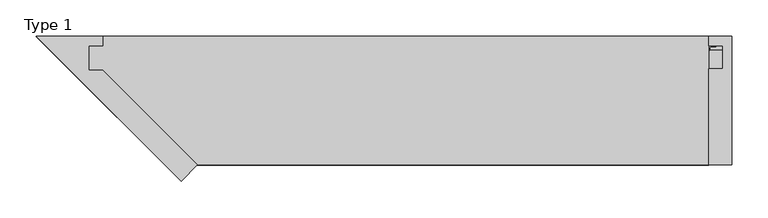
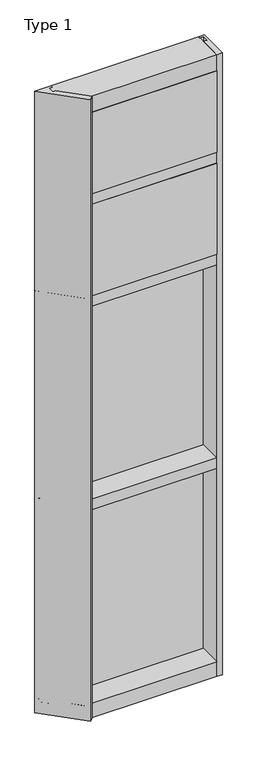
"""IFC4 building model written with IfcOpenShell, lengths in millimetres: plate geometry, Type 1."""

from ifc_helpers import new_model, si_unit, point, frame, frame_2d, origin, place, context, project, spatial, polyline, circle_curve, trimmed, segment, composite_curve, outline, extrude, faceted_brep, source, transform, mapped, element, save


def type_1_bd8d4e5f(model_context):
    return source(origin(), model_context, "Body", "SolidModel", [
        extrude(outline(polyline([(34.0360843, 3579.4782689), (34.0360843, 3568.7272341), (27.686, 3566.9739421), (27.686, 3579.4782689), (34.0360843, 3579.4782689)])), frame((-437.9238151, 0.0, 0.0), z_axis=(1.0, 0.0, 0.0), x_axis=(0.0, 1.0, 0.0)), (0.0, 0.0, 1.0), 875.8476302),
        extrude(outline(composite_curve([segment(polyline([(-419.3612613, 27.686), (-420.3277672, 27.686), (-420.3552746, 31.7563748)]), True, "CONTINUOUS"), segment(trimmed(circle_curve(frame_2d((-420.9902601, 31.7520836)), 0.635), [point((-420.3552746, 31.7563748))], [point((-420.9551793, 32.3861138))], True, "CARTESIAN"), True, "CONTINUOUS"), segment(polyline([(-420.9551793, 32.3861138), (-427.7105402, 32.7598869)]), True, "CONTINUOUS"), segment(trimmed(circle_curve(frame_2d((-427.5279869, 33.7593519)), 1.016), [point((-427.7105402, 32.7598869))], [point((-428.5055655, 34.0361122))], False, "CARTESIAN"), True, "CONTINUOUS"), segment(polyline([(-428.5055655, 34.0361122), (-418.9503158, 34.0361122), (-419.3612613, 27.686)]), True, "CONTINUOUS")], self_intersect=False)), frame((0.0, 0.0, 3068.9728643), z_axis=(0.0, 0.0, 1.0), x_axis=(1.0, 0.0, 0.0)), (0.0, 0.0, 1.0), 518.7771357),
        extrude(outline(composite_curve([segment(polyline([(419.3612613, 27.686), (418.9503158, 34.0361122), (428.5055655, 34.0361122)]), True, "CONTINUOUS"), segment(trimmed(circle_curve(frame_2d((427.5279869, 33.7593519)), 1.016), [point((428.5055655, 34.0361122))], [point((427.7105402, 32.7598869))], False, "CARTESIAN"), True, "CONTINUOUS"), segment(polyline([(427.7105402, 32.7598869), (420.9551793, 32.3861138)]), True, "CONTINUOUS"), segment(trimmed(circle_curve(frame_2d((420.9902601, 31.7520836)), 0.635), [point((420.9551793, 32.3861138))], [point((420.3552746, 31.7563748))], True, "CARTESIAN"), True, "CONTINUOUS"), segment(polyline([(420.3552746, 31.7563748), (420.3277672, 27.686), (419.3612613, 27.686)]), True, "CONTINUOUS")], self_intersect=False)), frame((0.0, 0.0, 3068.9728643), z_axis=(0.0, 0.0, 1.0), x_axis=(1.0, 0.0, 0.0)), (0.0, 0.0, 1.0), 518.7771357),
        extrude(outline(polyline([(34.0361122, 3068.9728643), (27.686, 3068.9728643), (27.686, 3081.4771952), (34.0361122, 3079.7238955), (34.0361122, 3068.9728643)])), frame((-428.5055655, 0.0, 0.0), z_axis=(1.0, 0.0, 0.0), x_axis=(0.0, 1.0, 0.0)), (0.0, 0.0, 1.0), 857.0111309),
        extrude(outline(polyline([(420.4613151, -48.6030703), (418.8738151, -131.0159103), (-287.9050651, -131.0159103), (-370.4550651, -48.6030703), (420.4613151, -48.6030703)])), frame((0.0, 0.0, 3079.75), z_axis=(0.0, 0.0, 1.0), x_axis=(1.0, 0.0, 0.0)), (0.0, 0.0, 1.0), 488.95),
        extrude(outline(polyline([(-437.9238151, 27.686), (437.9238151, 27.686), (437.9238151, 2.286), (-437.9238151, 2.286), (-437.9238151, 27.686)])), frame((0.0, 0.0, 3060.7), z_axis=(0.0, 0.0, 1.0), x_axis=(1.0, 0.0, 0.0)), (0.0, 0.0, 1.0), 527.05),
        extrude(outline(composite_curve([segment(polyline([(34.0360974, 3027.0282838), (34.0360974, 3016.1659828)]), True, "CONTINUOUS"), segment(trimmed(circle_curve(frame_2d((38.5198748, 2991.1648681)), 25.4), [point((34.0360974, 3016.1659828))], [point((27.686, 3014.1384868))], True, "CARTESIAN"), True, "CONTINUOUS"), segment(polyline([(27.686, 3014.1384868), (27.686, 3027.0282838), (34.0360974, 3027.0282838)]), True, "CONTINUOUS")], self_intersect=False)), frame((-437.9238151, 0.0, 0.0), z_axis=(1.0, 0.0, 0.0), x_axis=(0.0, 1.0, 0.0)), (0.0, 0.0, 1.0), 875.8476302),
        extrude(outline(composite_curve([segment(polyline([(-418.9503158, 34.0361122), (-419.3612613, 27.686), (-420.3277672, 27.686), (-420.3552746, 31.7563748)]), True, "CONTINUOUS"), segment(trimmed(circle_curve(frame_2d((-420.9902601, 31.7520836)), 0.635), [point((-420.3552746, 31.7563748))], [point((-420.9551793, 32.3861138))], True, "CARTESIAN"), True, "CONTINUOUS"), segment(polyline([(-420.9551793, 32.3861138), (-427.7105402, 32.7598869)]), True, "CONTINUOUS"), segment(trimmed(circle_curve(frame_2d((-427.5279869, 33.7593519)), 1.016), [point((-427.7105402, 32.7598869))], [point((-428.5055655, 34.0361122))], False, "CARTESIAN"), True, "CONTINUOUS"), segment(polyline([(-428.5055655, 34.0361122), (-418.9503158, 34.0361122)]), True, "CONTINUOUS")], self_intersect=False)), frame((0.0, 0.0, 2459.3728643), z_axis=(0.0, 0.0, 1.0), x_axis=(1.0, 0.0, 0.0)), (0.0, 0.0, 1.0), 575.9271357),
        extrude(outline(composite_curve([segment(polyline([(419.3612613, 27.686), (418.9503158, 34.0361122), (428.5055655, 34.0361122)]), True, "CONTINUOUS"), segment(trimmed(circle_curve(frame_2d((427.5279869, 33.7593519)), 1.016), [point((428.5055655, 34.0361122))], [point((427.7105402, 32.7598869))], False, "CARTESIAN"), True, "CONTINUOUS"), segment(polyline([(427.7105402, 32.7598869), (420.9551793, 32.3861138)]), True, "CONTINUOUS"), segment(trimmed(circle_curve(frame_2d((420.9902601, 31.7520836)), 0.635), [point((420.9551793, 32.3861138))], [point((420.3552746, 31.7563748))], True, "CARTESIAN"), True, "CONTINUOUS"), segment(polyline([(420.3552746, 31.7563748), (420.3277672, 27.686), (419.3612613, 27.686)]), True, "CONTINUOUS")], self_intersect=False)), frame((0.0, 0.0, 2459.3728643), z_axis=(0.0, 0.0, 1.0), x_axis=(1.0, 0.0, 0.0)), (0.0, 0.0, 1.0), 575.9271357),
        extrude(outline(polyline([(34.0361122, 2459.3728643), (27.686, 2459.3728643), (27.686, 2471.8771952), (34.0361122, 2470.1238955), (34.0361122, 2459.3728643)])), frame((-428.5055655, 0.0, 0.0), z_axis=(1.0, 0.0, 0.0), x_axis=(0.0, 1.0, 0.0)), (0.0, 0.0, 1.0), 857.0111309),
        extrude(outline(polyline([(418.8738151, -48.514), (418.8738151, -131.0159103), (-287.9050651, -131.0159103), (-370.3558463, -48.514), (418.8738151, -48.514)])), frame((0.0, 0.0, 2470.15), z_axis=(0.0, 0.0, 1.0), x_axis=(1.0, 0.0, 0.0)), (0.0, 0.0, 1.0), 546.1),
        extrude(outline(polyline([(437.9238151, 27.686), (437.9238151, 2.286), (-437.9238151, 2.286), (-437.9238151, 27.686), (437.9238151, 27.686)])), frame((0.0, 0.0, 2451.1), z_axis=(0.0, 0.0, 1.0), x_axis=(1.0, 0.0, 0.0)), (0.0, 0.0, 1.0), 584.2),
        extrude(outline(polyline([(450.6238151, -130.5814), (418.8738151, -130.5814), (418.8738151, 2.286), (437.9238151, 2.286), (437.9238151, 34.036), (418.8727259, 34.036), (418.8727259, 47.2186), (450.6238151, 47.2186), (450.6238151, -130.5814)])), frame((0.0, 0.0, -57.15), z_axis=(0.0, 0.0, 1.0), x_axis=(1.0, 0.0, 0.0)), (0.0, 0.0, 1.0), 3721.1),
        extrude(outline(polyline([(27.686, 1252.6752684), (34.036, 1250.9219997), (34.036, 1240.1709644), (27.686, 1240.1709644), (27.686, 1252.6752684)])), frame((-428.5066864, 0.0, 0.0), z_axis=(1.0, 0.0, 0.0), x_axis=(0.0, 1.0, 0.0)), (0.0, 0.0, 1.0), 857.0133729),
        extrude(outline(polyline([(27.6860992, 2417.4309356), (34.0360992, 2417.4309356), (34.0360992, 2406.6798775), (27.6860992, 2404.9266088), (27.6860992, 2417.4309356)])), frame((-428.5066864, 0.0, 0.0), z_axis=(1.0, 0.0, 0.0), x_axis=(0.0, 1.0, 0.0)), (0.0, 0.0, 1.0), 857.0133729),
        extrude(outline(composite_curve([segment(trimmed(circle_curve(frame_2d((-420.9913493, 31.7520836)), 0.635), [point((-420.3563638, 31.7563748))], [point((-420.9562685, 32.3861138))], True, "CARTESIAN"), True, "CONTINUOUS"), segment(polyline([(-420.9562685, 32.3861138), (-427.7116294, 32.7598869)]), True, "CONTINUOUS"), segment(trimmed(circle_curve(frame_2d((-427.5290761, 33.7593519)), 1.016), [point((-427.7116294, 32.7598869))], [point((-428.5066864, 34.036))], False, "CARTESIAN"), True, "CONTINUOUS"), segment(polyline([(-428.5066864, 34.036), (-418.9514123, 34.036), (-419.3623505, 27.686), (-420.3288564, 27.686), (-420.3563638, 31.7563748)]), True, "CONTINUOUS")], self_intersect=False)), frame((0.0, 0.0, 1240.1709644), z_axis=(0.0, 0.0, 1.0), x_axis=(1.0, 0.0, 0.0)), (0.0, 0.0, 1.0), 1177.2580861),
        extrude(outline(composite_curve([segment(polyline([(419.3623505, 27.686), (418.9514123, 34.036), (428.5066864, 34.036)]), True, "CONTINUOUS"), segment(trimmed(circle_curve(frame_2d((427.5290761, 33.7593519)), 1.016), [point((428.5066864, 34.036))], [point((427.7116294, 32.7598869))], False, "CARTESIAN"), True, "CONTINUOUS"), segment(polyline([(427.7116294, 32.7598869), (420.9562685, 32.3861138)]), True, "CONTINUOUS"), segment(trimmed(circle_curve(frame_2d((420.9913493, 31.7520836)), 0.635), [point((420.9562685, 32.3861138))], [point((420.3563638, 31.7563748))], True, "CARTESIAN"), True, "CONTINUOUS"), segment(polyline([(420.3563638, 31.7563748), (420.3288564, 27.686), (419.3623505, 27.686)]), True, "CONTINUOUS")], self_intersect=False)), frame((0.0, 0.0, 1240.1709644), z_axis=(0.0, 0.0, 1.0), x_axis=(1.0, 0.0, 0.0)), (0.0, 0.0, 1.0), 1177.2580861),
        extrude(outline(polyline([(437.9249043, 27.686), (437.9249043, 2.286), (-437.9249043, 2.286), (-437.9249043, 27.686), (437.9249043, 27.686)])), frame((0.0, 0.0, 1231.8962001), z_axis=(0.0, 0.0, 1.0), x_axis=(1.0, 0.0, 0.0)), (0.0, 0.0, 1.0), 1193.8037999),
        extrude(outline(polyline([(27.686, 33.4752684), (34.036, 31.7219997), (34.036, 20.9709644), (27.686, 20.9709644), (27.686, 33.4752684)])), frame((-428.5066864, 0.0, 0.0), z_axis=(1.0, 0.0, 0.0), x_axis=(0.0, 1.0, 0.0)), (0.0, 0.0, 1.0), 857.0133729),
        extrude(outline(polyline([(27.6860992, 1198.2309356), (34.0360992, 1198.2309356), (34.0360992, 1187.4798775), (27.6860992, 1185.7266088), (27.6860992, 1198.2309356)])), frame((-428.5066864, 0.0, 0.0), z_axis=(1.0, 0.0, 0.0), x_axis=(0.0, 1.0, 0.0)), (0.0, 0.0, 1.0), 857.0133729),
        extrude(outline(composite_curve([segment(trimmed(circle_curve(frame_2d((-420.9913493, 31.7520836)), 0.635), [point((-420.3563638, 31.7563748))], [point((-420.9562685, 32.3861138))], True, "CARTESIAN"), True, "CONTINUOUS"), segment(polyline([(-420.9562685, 32.3861138), (-427.7116294, 32.7598869)]), True, "CONTINUOUS"), segment(trimmed(circle_curve(frame_2d((-427.5290761, 33.7593519)), 1.016), [point((-427.7116294, 32.7598869))], [point((-428.5066864, 34.036))], False, "CARTESIAN"), True, "CONTINUOUS"), segment(polyline([(-428.5066864, 34.036), (-418.9514123, 34.036), (-419.3623505, 27.686), (-420.3288564, 27.686), (-420.3563638, 31.7563748)]), True, "CONTINUOUS")], self_intersect=False)), frame((0.0, 0.0, 20.9709644), z_axis=(0.0, 0.0, 1.0), x_axis=(1.0, 0.0, 0.0)), (0.0, 0.0, 1.0), 1177.2580861),
        extrude(outline(composite_curve([segment(polyline([(419.3623505, 27.686), (418.9514123, 34.036), (428.5066864, 34.036)]), True, "CONTINUOUS"), segment(trimmed(circle_curve(frame_2d((427.5290761, 33.7593519)), 1.016), [point((428.5066864, 34.036))], [point((427.7116294, 32.7598869))], False, "CARTESIAN"), True, "CONTINUOUS"), segment(polyline([(427.7116294, 32.7598869), (420.9562685, 32.3861138)]), True, "CONTINUOUS"), segment(trimmed(circle_curve(frame_2d((420.9913493, 31.7520836)), 0.635), [point((420.9562685, 32.3861138))], [point((420.3563638, 31.7563748))], True, "CARTESIAN"), True, "CONTINUOUS"), segment(polyline([(420.3563638, 31.7563748), (420.3288564, 27.686), (419.3623505, 27.686)]), True, "CONTINUOUS")], self_intersect=False)), frame((0.0, 0.0, 20.9709644), z_axis=(0.0, 0.0, 1.0), x_axis=(1.0, 0.0, 0.0)), (0.0, 0.0, 1.0), 1177.2580861),
        extrude(outline(polyline([(437.9249043, 27.686), (437.9249043, 2.286), (-437.9249043, 2.286), (-437.9249043, 27.686), (437.9249043, 27.686)])), frame((0.0, 0.0, 12.6962001), z_axis=(0.0, 0.0, 1.0), x_axis=(1.0, 0.0, 0.0)), (0.0, 0.0, 1.0), 1193.8037999),
        extrude(outline(polyline([(-310.6474247, -152.9353204), (-510.8114505, 47.2287054), (-418.8738151, 47.2287054), (-418.8738151, 34.036), (-437.9249043, 34.036), (-437.9249043, 0.0), (-418.8749043, 0.0), (-288.2935043, -130.5814), (-310.6474247, -152.9353204)])), frame((0.0, 0.0, -57.15), z_axis=(0.0, 0.0, 1.0), x_axis=(1.0, 0.0, 0.0)), (0.0, 0.0, 1.0), 3721.1),
        faceted_brep([(418.8738151, 47.2186297, 3663.95), (418.8738151, -130.175, 3663.95), (418.8738151, -130.175, 3568.7), (418.8738151, 0.0, 3568.7), (418.8738151, 0.0, 3587.75), (418.8738151, 34.13125, 3587.75), (418.8738151, 34.13125, 3568.7), (418.8738151, 47.2186297, 3568.7), (-510.8013748, 47.2186297, 3568.7), (-510.8013748, 47.2186297, 3663.95), (-497.7139951, 34.13125, 3568.7), (-497.7139951, 34.13125, 3587.75), (-463.5827451, 0.0, 3587.75), (-463.5827451, 0.0, 3568.7), (-333.4077451, -130.175, 3568.7), (-333.4077451, -130.175, 3663.95)], [[[0, 1, 2, 3, 4, 5, 6, 7]], [[0, 7, 8, 9]], [[7, 6, 10, 8]], [[6, 5, 11, 10]], [[5, 4, 12, 11]], [[4, 3, 13, 12]], [[3, 2, 14, 13]], [[2, 1, 15, 14]], [[1, 0, 9, 15]], [[9, 8, 10, 11, 12, 13, 14, 15]]]),
        faceted_brep([(418.8738151, 0.0, 3079.75), (418.8738151, -130.175, 3079.75), (418.8738151, -130.175, 3016.25), (418.8738151, 0.0, 3016.25), (418.8738151, 0.0, 3035.3), (418.8738151, 34.13125, 3035.3), (418.8738151, 34.13125, 3016.2462001), (418.8738151, 47.2186445, 3016.2462001), (418.8738151, 47.2186445, 3079.7462001), (418.8738151, 34.13125, 3079.7462001), (418.8738151, 34.13125, 3060.7), (418.8738151, 0.0, 3060.7), (-463.5827451, 0.0, 3060.7), (-463.5827451, 0.0, 3079.75), (-497.7139951, 34.13125, 3060.7), (-497.7139951, 34.13125, 3079.7462001), (-510.8013896, 47.2186445, 3079.7462001), (-510.8013896, 47.2186445, 3016.2462001), (-497.7139951, 34.13125, 3016.2462001), (-497.7139951, 34.13125, 3035.3), (-463.5827451, 0.0, 3035.3), (-463.5827451, 0.0, 3016.25), (-333.4077451, -130.175, 3016.25), (-333.4077451, -130.175, 3079.75)], [[[0, 1, 2, 3, 4, 5, 6, 7, 8, 9, 10, 11]], [[0, 11, 12, 13]], [[11, 10, 14, 12]], [[10, 9, 15, 14]], [[9, 8, 16, 15]], [[8, 7, 17, 16]], [[7, 6, 18, 17]], [[6, 5, 19, 18]], [[5, 4, 20, 19]], [[4, 3, 21, 20]], [[3, 2, 22, 21]], [[2, 1, 23, 22]], [[1, 0, 13, 23]], [[13, 12, 14, 15, 16, 17, 18, 19, 20, 21, 22, 23]]]),
        faceted_brep([(418.8738151, 0.0, 2470.1537999), (418.8738151, -130.175, 2470.1537999), (418.8738151, -130.175, 2406.6537999), (418.8738151, 0.0, 2406.6537999), (418.8738151, 0.0, 2425.7037999), (418.8738151, 34.13125, 2425.7037999), (418.8738151, 34.13125, 2406.65), (418.8738151, 47.2186445, 2406.65), (418.8738151, 47.2186445, 2470.15), (418.8738151, 34.13125, 2470.15), (418.8738151, 34.13125, 2451.1037999), (418.8738151, 0.0, 2451.1037999), (-463.5827451, 0.0, 2451.1037999), (-463.5827451, 0.0, 2470.1537999), (-497.7139951, 34.13125, 2451.1037999), (-497.7139951, 34.13125, 2470.15), (-510.8013896, 47.2186445, 2470.15), (-510.8013896, 47.2186445, 2406.65), (-497.7139951, 34.13125, 2406.65), (-497.7139951, 34.13125, 2425.7037999), (-463.5827451, 0.0, 2425.7037999), (-463.5827451, 0.0, 2406.6537999), (-333.4077451, -130.175, 2406.6537999), (-333.4077451, -130.175, 2470.1537999)], [[[0, 1, 2, 3, 4, 5, 6, 7, 8, 9, 10, 11]], [[0, 11, 12, 13]], [[11, 10, 14, 12]], [[10, 9, 15, 14]], [[9, 8, 16, 15]], [[8, 7, 17, 16]], [[7, 6, 18, 17]], [[6, 5, 19, 18]], [[5, 4, 20, 19]], [[4, 3, 21, 20]], [[3, 2, 22, 21]], [[2, 1, 23, 22]], [[1, 0, 13, 23]], [[13, 12, 14, 15, 16, 17, 18, 19, 20, 21, 22, 23]]]),
        faceted_brep([(418.8738151, 0.0, 1250.95), (418.8738151, -130.175, 1250.95), (418.8738151, -130.175, 1187.45), (418.8738151, 0.0, 1187.45), (418.8738151, 0.0, 1206.5), (418.8738151, 34.13125, 1206.5), (418.8738151, 34.13125, 1187.4462001), (418.8738151, 47.2186445, 1187.4462001), (418.8738151, 47.2186445, 1250.9462001), (418.8738151, 34.13125, 1250.9462001), (418.8738151, 34.13125, 1231.9), (418.8738151, 0.0, 1231.9), (-463.5827451, 0.0, 1231.9), (-463.5827451, 0.0, 1250.95), (-497.7139951, 34.13125, 1231.9), (-497.7139951, 34.13125, 1250.9462001), (-510.8013896, 47.2186445, 1250.9462001), (-510.8013896, 47.2186445, 1187.4462001), (-497.7139951, 34.13125, 1187.4462001), (-497.7139951, 34.13125, 1206.5), (-463.5827451, 0.0, 1206.5), (-463.5827451, 0.0, 1187.45), (-333.4077451, -130.175, 1187.45), (-333.4077451, -130.175, 1250.95)], [[[0, 1, 2, 3, 4, 5, 6, 7, 8, 9, 10, 11]], [[0, 11, 12, 13]], [[11, 10, 14, 12]], [[10, 9, 15, 14]], [[9, 8, 16, 15]], [[8, 7, 17, 16]], [[7, 6, 18, 17]], [[6, 5, 19, 18]], [[5, 4, 20, 19]], [[4, 3, 21, 20]], [[3, 2, 22, 21]], [[2, 1, 23, 22]], [[1, 0, 13, 23]], [[13, 12, 14, 15, 16, 17, 18, 19, 20, 21, 22, 23]]]),
        faceted_brep([(418.8738151, 0.0, 31.75), (418.8738151, -130.175, 31.75), (418.8738151, -130.175, -57.15), (418.8738151, 47.2186148, -57.15), (418.8738151, 47.2186148, 31.751832), (418.8738151, 34.13125, 31.751832), (418.8738151, 34.13125, 12.7), (418.8738151, 0.0, 12.7), (-463.5827451, 0.0, 12.7), (-463.5827451, 0.0, 31.75), (-497.7139951, 34.13125, 12.7), (-497.7139951, 34.13125, 31.751832), (-510.8013599, 47.2186148, 31.751832), (-510.8013599, 47.2186148, -57.15), (-333.4077451, -130.175, -57.15), (-333.4077451, -130.175, 31.75)], [[[0, 1, 2, 3, 4, 5, 6, 7]], [[0, 7, 8, 9]], [[7, 6, 10, 8]], [[6, 5, 11, 10]], [[5, 4, 12, 11]], [[4, 3, 13, 12]], [[3, 2, 14, 13]], [[2, 1, 15, 14]], [[1, 0, 9, 15]], [[9, 8, 10, 11, 12, 13, 14, 15]]]),
    ])


if __name__ == "__main__":
    model = new_model("IFC4")
    model_context = context("Model", 3, world=origin())
    ifc_project = project(units=[si_unit("LENGTHUNIT", "METRE", prefix="MILLI")], contexts=[model_context])
    site = spatial("IfcSite", under=ifc_project)
    building = spatial("IfcBuilding", under=site)
    placement = place(None, origin())
    type_1_shape = type_1_bd8d4e5f(model_context)
    element("IfcPlate", 1, ObjectType="Type 1", at=placement, inside=building, context=model_context, shape_type="MappedRepresentation", body=[
        mapped(type_1_shape, transform((0.0, 0.0, 0.0), x_axis=(1.0, 0.0, 0.0), y_axis=(0.0, 1.0, 0.0), z_axis=(0.0, 0.0, 1.0))),
    ])
    save(model, "model.ifc")
